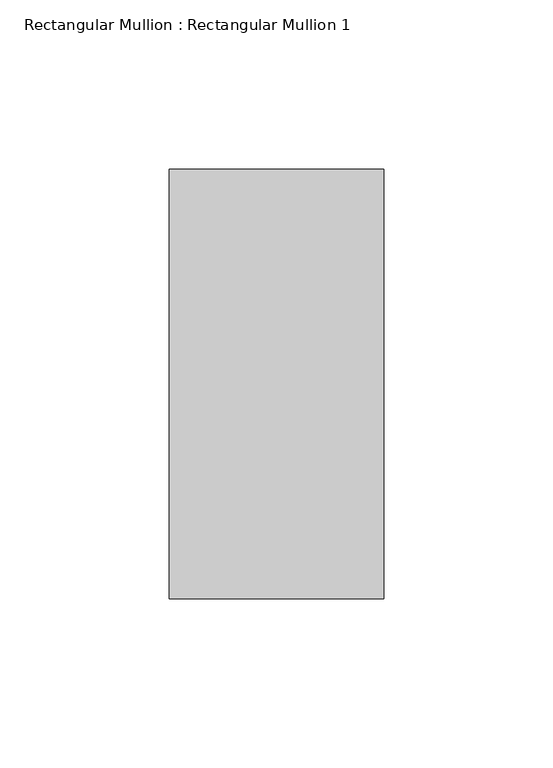
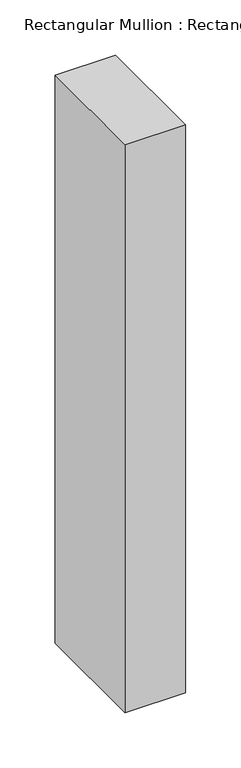
"""IFC4 building model written with IfcOpenShell, lengths in millimetres: member geometry, Rectangular Mullion : Rectangular Mullion 1."""

import ifcopenshell
import ifcopenshell.guid

model = None  # the IFC model being written
_history = None  # IfcOwnerHistory: only IFC2X3 demands one
_inside = {}  # id of a spatial element -> (the spatial element, [elements in it])
_under = {}  # id of a project, library or spatial element -> (it, [spatial elements below it])
_declared = {}  # id of a project -> (the project, [libraries it declares])
_typed = {}  # id of a type object -> (the type object, [elements of that type])
_made_of = {}  # id of a material, layer set ... -> (it, [elements and type objects made of it])


def new_model(schema):
    """Start an empty IFC model of exactly this schema.

    Asked for "IFC4X3", IfcOpenShell would pick the latest addendum, in which some entities
    have other attributes; the version numbers below select the first issue.
    IFC2X3 requires an IfcOwnerHistory on every rooted entity: one is made here for all.
    """
    global model, _history
    if schema == "IFC4X3":
        model = ifcopenshell.file(schema_version=(4, 3, 0, 0))
    else:
        model = ifcopenshell.file(schema=schema)
    _inside.clear()
    _under.clear()
    _declared.clear()
    _typed.clear()
    _made_of.clear()
    _history = None
    if model.schema == "IFC2X3":
        org = make("IfcOrganization", Name="unknown")
        user = make(
            "IfcPersonAndOrganization",
            ThePerson=make("IfcPerson", FamilyName="unknown"),
            TheOrganization=org,
        )
        app = make(
            "IfcApplication",
            ApplicationDeveloper=org,
            Version="unknown",
            ApplicationFullName="unknown",
            ApplicationIdentifier="unknown",
        )
        _history = make(
            "IfcOwnerHistory",
            OwningUser=user,
            OwningApplication=app,
            ChangeAction="ADDED",
            CreationDate=0,
        )
    return model


def make(cls, **values):
    """One entity of the class cls with the attributes given. An attribute that is None is left unset."""
    return model.create_entity(
        cls, **{name: value for name, value in values.items() if value is not None}
    )


def rooted(cls, **values):
    """An entity with a GlobalId (a new one), such as an element, a storey or a relation."""
    return make(cls, GlobalId=ifcopenshell.guid.new(), OwnerHistory=_history, **values)


def si_unit(unit_type, name, prefix=None):
    """IfcSIUnit, for example si_unit("LENGTHUNIT", "METRE", prefix="MILLI")."""
    return make("IfcSIUnit", UnitType=unit_type, Prefix=prefix, Name=name)


def assignment(units):
    """IfcUnitAssignment: the units of a project."""
    return None if units is None else make("IfcUnitAssignment", Units=units)


def point(xyz):
    """IfcCartesianPoint."""
    return None if xyz is None else make("IfcCartesianPoint", Coordinates=xyz)


def direction(xyz):
    """IfcDirection."""
    return None if xyz is None else make("IfcDirection", DirectionRatios=xyz)


def frame(location, z_axis=None, x_axis=None):
    """IfcAxis2Placement3D, a coordinate frame: its origin and axes. An axis left out is left unset."""
    return make(
        "IfcAxis2Placement3D",
        Location=point(location),
        Axis=direction(z_axis),
        RefDirection=direction(x_axis),
    )


def origin():
    """The frame at (0, 0, 0) with its axes left unset."""
    return frame((0.0, 0.0, 0.0))


def place(relative_to, where):
    """IfcLocalPlacement: puts the frame where relative to a parent placement (None: the world)."""
    return make(
        "IfcLocalPlacement", PlacementRelTo=relative_to, RelativePlacement=where
    )


def context(
    kind, dimensions, precision=None, world=None, true_north=None, identifier=None
):
    """IfcGeometricRepresentationContext, for example the 3D "Model" context."""
    return make(
        "IfcGeometricRepresentationContext",
        ContextIdentifier=identifier,
        ContextType=kind,
        CoordinateSpaceDimension=dimensions,
        Precision=precision,
        WorldCoordinateSystem=world,
        TrueNorth=true_north,
    )


def project(units=None, contexts=None):
    """IfcProject with its units and contexts."""
    return rooted(
        "IfcProject",
        Name="project",
        RepresentationContexts=contexts,
        UnitsInContext=assignment(units),
    )


def spatial(cls, under=None, at=None, **own):
    """A site, building, storey or space (cls), placed at a placement, below another one or the project."""
    s = rooted(cls, ObjectPlacement=at, **own)
    if under is not None:
        _under.setdefault(under.id(), (under, []))[1].append(s)
    return s


def polyline(points):
    """IfcPolyline through the points."""
    return make("IfcPolyline", Points=[point(p) for p in points])


def outline(outer, holes=None, kind="AREA"):
    """IfcArbitraryClosedProfileDef: a profile drawn as a closed curve; with holes, ...WithVoids."""
    if holes is None:
        return make("IfcArbitraryClosedProfileDef", ProfileType=kind, OuterCurve=outer)
    return make(
        "IfcArbitraryProfileDefWithVoids",
        ProfileType=kind,
        OuterCurve=outer,
        InnerCurves=holes,
    )


def extrude(swept, where, along, depth):
    """IfcExtrudedAreaSolid: the profile swept, set in the frame where, extruded along a direction by depth."""
    return make(
        "IfcExtrudedAreaSolid",
        SweptArea=swept,
        Position=where,
        ExtrudedDirection=direction(along),
        Depth=depth,
    )


def shape(context_of_items, identifier, shape_type, items):
    """IfcShapeRepresentation: the items that make up one representation, for example the "Body"."""
    return make(
        "IfcShapeRepresentation",
        ContextOfItems=context_of_items,
        RepresentationIdentifier=identifier,
        RepresentationType=shape_type,
        Items=items,
    )


def source(mapping_origin, context_of_items, identifier, shape_type, items):
    """IfcRepresentationMap: a shape defined once, which mapped items show again and again."""
    return make(
        "IfcRepresentationMap",
        MappingOrigin=mapping_origin,
        MappedRepresentation=shape(context_of_items, identifier, shape_type, items),
    )


def transform(
    local_origin,
    x_axis=None,
    y_axis=None,
    z_axis=None,
    scale=None,
    scale2=None,
    scale3=None,
    uniform=True,
):
    """IfcCartesianTransformationOperator3D, or its non-uniform kind. x_axis, y_axis, z_axis: its Axis1, 2, 3."""
    if uniform:
        return make(
            "IfcCartesianTransformationOperator3D",
            Axis1=direction(x_axis),
            Axis2=direction(y_axis),
            LocalOrigin=point(local_origin),
            Scale=scale,
            Axis3=direction(z_axis),
        )
    return make(
        "IfcCartesianTransformationOperator3DnonUniform",
        Axis1=direction(x_axis),
        Axis2=direction(y_axis),
        LocalOrigin=point(local_origin),
        Scale=scale,
        Axis3=direction(z_axis),
        Scale2=scale2,
        Scale3=scale3,
    )


def mapped(mapping_source, mapping_target):
    """IfcMappedItem: shows the shape of a source again, moved by a transform."""
    return make(
        "IfcMappedItem", MappingSource=mapping_source, MappingTarget=mapping_target
    )


def made_of(thing, what):
    """Note that an element or type object is made of a material, layer set ...; save() writes the relation."""
    if what is not None:
        _made_of.setdefault(what.id(), (what, []))[1].append(thing)
    return thing


def element(
    cls,
    number,
    at=None,
    inside=None,
    cuts=None,
    type_object=None,
    material=None,
    context=None,
    identifier="Body",
    shape_type=None,
    held_by="IfcProductDefinitionShape",
    body=None,
    shapes=None,
    **own,
):
    """One element of the class cls, such as IfcWall. Its Tag is "e" and its number.

    at: its placement. inside: the storey or other place that contains it. cuts: it is an
    opening in that element (IfcRelVoidsElement). A single representation is given by context,
    identifier, shape_type and body (its items); several are given by shapes. held_by: the class
    of the entity that holds the representations. save() writes the other relations.
    """
    e = rooted(cls, Tag="e%d" % number, ObjectPlacement=at, **own)
    if body is not None:
        shapes = [shape(context, identifier, shape_type, body)]
    if shapes is not None:
        e.Representation = make(held_by, Representations=shapes)
    if inside is not None:
        _inside.setdefault(inside.id(), (inside, []))[1].append(e)
    if cuts is not None:
        rooted(
            "IfcRelVoidsElement", RelatingBuildingElement=cuts, RelatedOpeningElement=e
        )
    if type_object is not None:
        _typed.setdefault(type_object.id(), (type_object, []))[1].append(e)
    return made_of(e, material)


def aggregate(whole, parts):
    """IfcRelAggregates: a whole, such as a stair, and the parts it consists of."""
    return rooted("IfcRelAggregates", RelatingObject=whole, RelatedObjects=parts)


def save(model, path):
    """Write the relations noted so far, then the file.

    IfcRelAggregates (storeys below a building ...), IfcRelContainedInSpatialStructure (elements
    in a storey), IfcRelDefinesByType, IfcRelAssociatesMaterial and IfcRelDeclares: one each for
    every whole, place, type object, material and project.
    """
    for whole, parts in _under.values():
        aggregate(whole, parts)
    for where, things in _inside.values():
        rooted(
            "IfcRelContainedInSpatialStructure",
            RelatedElements=things,
            RelatingStructure=where,
        )
    for kind, things in _typed.values():
        rooted("IfcRelDefinesByType", RelatedObjects=things, RelatingType=kind)
    for what, things in _made_of.values():
        rooted("IfcRelAssociatesMaterial", RelatedObjects=things, RelatingMaterial=what)
    for by, libraries in _declared.values():
        rooted("IfcRelDeclares", RelatingContext=by, RelatedDefinitions=libraries)
    model.write(path)


def rectangular_mullion_rectangular_mullion_1_7d792aa1(model_context):
    return source(origin(), model_context, "Body", "SweptSolid", [
        extrude(outline(polyline([(31.75, 63.5), (31.75, -63.5), (-31.75, -63.5), (-31.75, 63.5), (31.75, 63.5)])), frame((0.0, 0.0, -628.65), z_axis=(0.0, 0.0, 1.0), x_axis=(1.0, 0.0, 0.0)), (0.0, 0.0, 1.0), 628.65),
    ])


if __name__ == "__main__":
    model = new_model("IFC4")
    model_context = context("Model", 3, world=origin())
    ifc_project = project(units=[si_unit("LENGTHUNIT", "METRE", prefix="MILLI")], contexts=[model_context])
    site = spatial("IfcSite", under=ifc_project)
    building = spatial("IfcBuilding", under=site)
    placement = place(None, origin())
    rectangular_mullion_rectangular_mullion_1_shape = rectangular_mullion_rectangular_mullion_1_7d792aa1(model_context)
    element("IfcMember", 1, ObjectType="Rectangular Mullion : Rectangular Mullion 1", at=placement, inside=building, context=model_context, shape_type="MappedRepresentation", body=[
        mapped(rectangular_mullion_rectangular_mullion_1_shape, transform((0.0, 0.0, 0.0), x_axis=(1.0, 0.0, 0.0), y_axis=(0.0, 1.0, 0.0), z_axis=(0.0, 0.0, 1.0))),
    ])
    save(model, "model.ifc")
